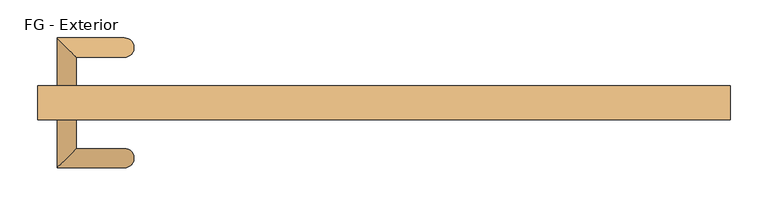
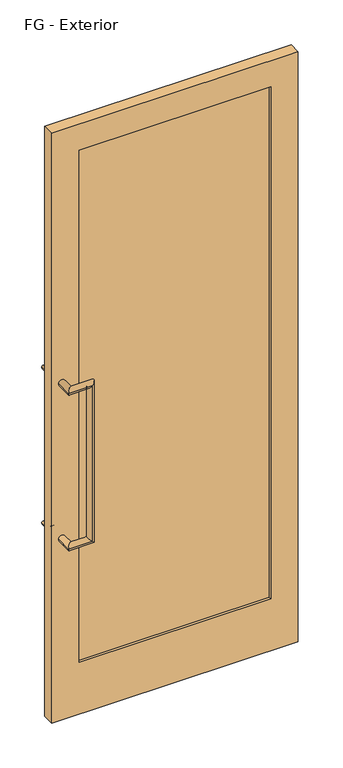
"""IFC4 building model written with IfcOpenShell, lengths in millimetres: door geometry, FG - Exterior."""

from ifc_helpers import new_model, si_unit, frame, origin, place, context, project, spatial, polyline, circle_curve, ellipse_curve, outline, extrude, source, transform, mapped, element, save
from ifc_brep_helpers import plane_surface, cylinder_surface, advanced_brep


def fg_exterior_a5ced036(model_context):
    return source(origin(), model_context, "Body", "SolidModel", [
        advanced_brep(
        [(-431.8, 0.0, 1320.8), (-406.4, 0.0, 1320.8), (-406.4, -38.1, 1320.8), (-431.8, -63.5, 1320.8), (-342.9, -38.1, 1320.8), (-342.9, -63.5, 1320.8), (-342.9, -38.1, 711.2), (-342.9, -63.5, 711.2), (-406.4, -38.1, 711.2), (-431.8, -63.5, 711.2), (-431.8, 0.0, 711.2), (-406.4, 0.0, 711.2)],
        [
            (0, 1, circle_curve(frame((-419.1, 0.0, 1320.8), z_axis=(0.0, 1.0, 0.0), x_axis=(1.0, 0.0, 0.0)), 12.7)),
            (1, 0, circle_curve(frame((-419.1, 0.0, 1320.8), z_axis=(0.0, 1.0, 0.0), x_axis=(1.0, 0.0, 0.0)), 12.7)),
            (1, 2),
            (2, 3, ellipse_curve(frame((-419.1, -50.8, 1320.8), z_axis=(-0.7071067811865475, 0.7071067811865475, 0.0), x_axis=(0.7071067811865474, 0.7071067811865476, 0.0)), 17.9605122, 12.7)),
            (3, 0),
            (3, 2, ellipse_curve(frame((-419.1, -50.8, 1320.8), z_axis=(-0.7071067811865475, 0.7071067811865475, 0.0), x_axis=(0.7071067811865474, 0.7071067811865476, 0.0)), 17.9605122, 12.7)),
            (2, 4),
            (4, 5, ellipse_curve(frame((-342.9, -50.8, 1320.8), z_axis=(-0.7071067811865475, 0.0, 0.7071067811865475), x_axis=(-0.7071067811865476, 0.0, -0.7071067811865474)), 17.9605122, 12.7)),
            (5, 3),
            (5, 4, ellipse_curve(frame((-342.9, -50.8, 1320.8), z_axis=(-0.7071067811865475, 0.0, 0.7071067811865475), x_axis=(-0.7071067811865476, 0.0, -0.7071067811865474)), 17.9605122, 12.7)),
            (4, 6),
            (6, 7, ellipse_curve(frame((-342.9, -50.8, 711.2), z_axis=(0.7071067811865475, 0.0, 0.7071067811865475), x_axis=(-0.7071067811865474, 0.0, 0.7071067811865476)), 17.9605122, 12.7)),
            (7, 5),
            (7, 6, ellipse_curve(frame((-342.9, -50.8, 711.2), z_axis=(0.7071067811865475, 0.0, 0.7071067811865475), x_axis=(-0.7071067811865474, 0.0, 0.7071067811865476)), 17.9605122, 12.7)),
            (6, 8),
            (8, 9, ellipse_curve(frame((-419.1, -50.8, 711.2), z_axis=(0.7071067811865475, -0.7071067811865475, 0.0), x_axis=(0.7071067811865476, 0.7071067811865474, 0.0)), 17.9605122, 12.7)),
            (9, 7),
            (9, 8, ellipse_curve(frame((-419.1, -50.8, 711.2), z_axis=(0.7071067811865475, -0.7071067811865475, 0.0), x_axis=(0.7071067811865476, 0.7071067811865474, 0.0)), 17.9605122, 12.7)),
            (10, 11, circle_curve(frame((-419.1, 0.0, 711.2), z_axis=(0.0, 1.0, 0.0), x_axis=(1.0, 0.0, 0.0)), 12.7)),
            (11, 10, circle_curve(frame((-419.1, 0.0, 711.2), z_axis=(0.0, 1.0, 0.0), x_axis=(1.0, 0.0, 0.0)), 12.7)),
            (8, 11),
            (10, 9),
        ],
        [
            plane_surface(frame((-431.8, 0.0, 1320.8), z_axis=(0.0, 1.0, 0.0), x_axis=(0.0, 0.0, 1.0))),
            cylinder_surface(frame((-419.1, 0.0, 1320.8), z_axis=(0.0, 1.0, 0.0), x_axis=(1.0, 0.0, 0.0)), 12.7),
            cylinder_surface(frame((-419.1, -50.8, 1320.8), z_axis=(-1.0, 0.0, 0.0), x_axis=(0.0, 1.0, 0.0)), 12.7),
            cylinder_surface(frame((-342.9, -50.8, 1320.8), z_axis=(0.0, 0.0, 1.0), x_axis=(0.0, 1.0, 0.0)), 12.7),
            cylinder_surface(frame((-342.9, -50.8, 711.2), z_axis=(1.0, 0.0, 0.0), x_axis=(0.0, 1.0, 0.0)), 12.7),
            plane_surface(frame((-431.8, 0.0, 711.2), z_axis=(0.0, 1.0, 0.0), x_axis=(0.0, 0.0, -1.0))),
            cylinder_surface(frame((-419.1, -50.8, 711.2), z_axis=(0.0, -1.0, 0.0), x_axis=(1.0, 0.0, 0.0)), 12.7),
        ],
        [
            (0, [[1, 2]]),
            (1, [[3, 4, 5, -2]]),
            (1, [[-5, 6, -3, -1]]),
            (2, [[7, 8, 9, -4]]),
            (2, [[-9, 10, -7, -6]]),
            (3, [[11, 12, 13, -8]]),
            (3, [[-13, 14, -11, -10]]),
            (4, [[15, 16, 17, -12]]),
            (4, [[-17, 18, -15, -14]]),
            (5, [[19, 20]]),
            (6, [[21, -19, 22, -16]]),
            (6, [[-22, -20, -21, -18]]),
        ],
    ),
        advanced_brep(
        [(-431.8, 44.45, 711.2), (-406.4, 44.45, 711.2), (-406.4, 82.55, 711.2), (-431.8, 107.95, 711.2), (-342.9, 82.55, 711.2), (-342.9, 107.95, 711.2), (-342.9, 82.55, 1320.8), (-342.9, 107.95, 1320.8), (-406.4, 82.55, 1320.8), (-431.8, 107.95, 1320.8), (-431.8, 44.45, 1320.8), (-406.4, 44.45, 1320.8)],
        [
            (0, 1, circle_curve(frame((-419.1, 44.45, 711.2), z_axis=(0.0, -1.0, 0.0), x_axis=(1.0, 0.0, 0.0)), 12.7)),
            (1, 0, circle_curve(frame((-419.1, 44.45, 711.2), z_axis=(0.0, -1.0, 0.0), x_axis=(1.0, 0.0, 0.0)), 12.7)),
            (1, 2),
            (2, 3, ellipse_curve(frame((-419.1, 95.25, 711.2), z_axis=(-0.7071067811865474, -0.7071067811865476, 0.0), x_axis=(0.7071067811865475, -0.7071067811865475, 0.0)), 17.9605122, 12.7)),
            (3, 0),
            (3, 2, ellipse_curve(frame((-419.1, 95.25, 711.2), z_axis=(-0.7071067811865474, -0.7071067811865476, 0.0), x_axis=(0.7071067811865475, -0.7071067811865475, 0.0)), 17.9605122, 12.7)),
            (2, 4),
            (4, 5, ellipse_curve(frame((-342.9, 95.25, 711.2), z_axis=(-0.7071067811865475, 0.0, -0.7071067811865475), x_axis=(-0.7071067811865476, 0.0, 0.7071067811865474)), 17.9605122, 12.7)),
            (5, 3),
            (5, 4, ellipse_curve(frame((-342.9, 95.25, 711.2), z_axis=(-0.7071067811865475, 0.0, -0.7071067811865475), x_axis=(-0.7071067811865476, 0.0, 0.7071067811865474)), 17.9605122, 12.7)),
            (4, 6),
            (6, 7, ellipse_curve(frame((-342.9, 95.25, 1320.8), z_axis=(0.7071067811865475, 0.0, -0.7071067811865475), x_axis=(-0.7071067811865474, 0.0, -0.7071067811865476)), 17.9605122, 12.7)),
            (7, 5),
            (7, 6, ellipse_curve(frame((-342.9, 95.25, 1320.8), z_axis=(0.7071067811865475, 0.0, -0.7071067811865475), x_axis=(-0.7071067811865474, 0.0, -0.7071067811865476)), 17.9605122, 12.7)),
            (6, 8),
            (8, 9, ellipse_curve(frame((-419.1, 95.25, 1320.8), z_axis=(0.7071067811865475, 0.7071067811865475, 0.0), x_axis=(0.7071067811865477, -0.7071067811865474, 0.0)), 17.9605122, 12.7)),
            (9, 7),
            (9, 8, ellipse_curve(frame((-419.1, 95.25, 1320.8), z_axis=(0.7071067811865475, 0.7071067811865475, 0.0), x_axis=(0.7071067811865477, -0.7071067811865474, 0.0)), 17.9605122, 12.7)),
            (10, 11, circle_curve(frame((-419.1, 44.45, 1320.8), z_axis=(0.0, -1.0, 0.0), x_axis=(1.0, 0.0, 0.0)), 12.7)),
            (11, 10, circle_curve(frame((-419.1, 44.45, 1320.8), z_axis=(0.0, -1.0, 0.0), x_axis=(1.0, 0.0, 0.0)), 12.7)),
            (8, 11),
            (10, 9),
        ],
        [
            plane_surface(frame((-431.8, 44.45, 711.2), z_axis=(0.0, -1.0, 0.0), x_axis=(0.0, 0.0, -1.0))),
            cylinder_surface(frame((-419.1, 44.45, 711.2), z_axis=(0.0, -1.0, 0.0), x_axis=(1.0, 0.0, 0.0)), 12.7),
            cylinder_surface(frame((-419.1, 95.25, 711.2), z_axis=(-1.0, 0.0, 0.0), x_axis=(0.0, -1.0, 0.0)), 12.7),
            cylinder_surface(frame((-342.9, 95.25, 711.2), z_axis=(0.0, 0.0, -1.0), x_axis=(0.0, -1.0, 0.0)), 12.7),
            cylinder_surface(frame((-342.9, 95.25, 1320.8), z_axis=(1.0, 0.0, 0.0), x_axis=(0.0, -1.0, 0.0)), 12.7),
            plane_surface(frame((-431.8, 44.45, 1320.8), z_axis=(0.0, -1.0, 0.0), x_axis=(0.0, 0.0, 1.0))),
            cylinder_surface(frame((-419.1, 95.25, 1320.8), z_axis=(0.0, 1.0, 0.0), x_axis=(1.0, 0.0, 0.0)), 12.7),
        ],
        [
            (0, [[1, 2]]),
            (1, [[3, 4, 5, -2]]),
            (1, [[-5, 6, -3, -1]]),
            (2, [[7, 8, 9, -4]]),
            (2, [[-9, 10, -7, -6]]),
            (3, [[11, 12, 13, -8]]),
            (3, [[-13, 14, -11, -10]]),
            (4, [[15, 16, 17, -12]]),
            (4, [[-17, 18, -15, -14]]),
            (5, [[19, 20]]),
            (6, [[21, -19, 22, -16]]),
            (6, [[-22, -20, -21, -18]]),
        ],
    ),
        extrude(outline(polyline([(2311.4, 457.2), (2311.4, -457.2), (0.0, -457.2), (0.0, 457.2), (2311.4, 457.2)]), holes=[polyline([(2209.8, -355.6), (2209.8, 355.6), (203.2, 355.6), (203.2, -355.6), (2209.8, -355.6)])]), frame((0.0, 0.0, 0.0), z_axis=(0.0, 1.0, 0.0), x_axis=(0.0, 0.0, 1.0)), (0.0, 0.0, 1.0), 44.45),
        extrude(outline(polyline([(-355.6, 9.525), (-355.6, 34.925), (355.6, 34.925), (355.6, 9.525), (-355.6, 9.525)])), frame((0.0, 0.0, 203.2), z_axis=(0.0, 0.0, 1.0), x_axis=(1.0, 0.0, 0.0)), (0.0, 0.0, 1.0), 2006.6),
    ])


if __name__ == "__main__":
    model = new_model("IFC4")
    model_context = context("Model", 3, world=origin())
    ifc_project = project(units=[si_unit("LENGTHUNIT", "METRE", prefix="MILLI")], contexts=[model_context])
    site = spatial("IfcSite", under=ifc_project)
    building = spatial("IfcBuilding", under=site)
    placement = place(None, origin())
    fg_exterior_shape = fg_exterior_a5ced036(model_context)
    element("IfcDoor", 1, ObjectType="FG - Exterior", at=placement, inside=building, context=model_context, shape_type="MappedRepresentation", body=[
        mapped(fg_exterior_shape, transform((0.0, 0.0, 0.0), x_axis=(1.0, 0.0, 0.0), y_axis=(0.0, 1.0, 0.0), z_axis=(0.0, 0.0, 1.0))),
    ])
    save(model, "model.ifc")
